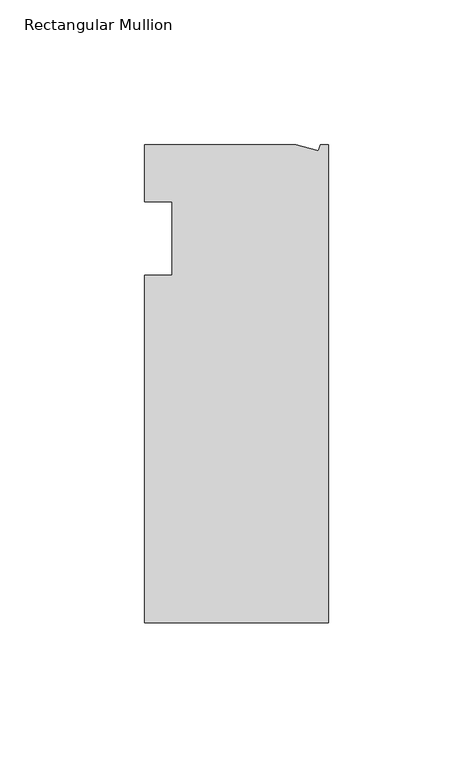
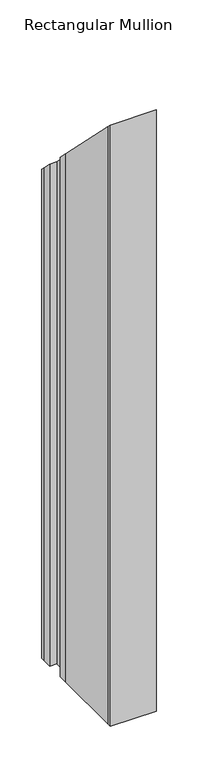
"""IFC4 building model written with IfcOpenShell, lengths in millimetres: member geometry, Rectangular Mullion."""

from ifc_helpers import new_model, si_unit, origin, place, context, project, spatial, faceted_brep, source, transform, mapped, element, save


def rectangular_mullion_1e84f861(model_context):
    return source(origin(), model_context, "Body", "Brep", [
        faceted_brep([(-11.1265412, 19.6597595, -736.6), (-3.3457217, 17.5748952, -736.6), (-2.787084, 19.6597595, -736.6), (0.0, 19.6597595, -736.6), (0.0, -145.4402405, -736.6), (-63.5, -145.4402405, -736.6), (-63.5, -139.0912527, -736.6), (-63.5, -38.3358837, -736.6), (-63.5, -25.4, -736.6), (-53.975, -25.4, -736.6), (-53.975, 0.0, -736.6), (-63.5, 0.0, -736.6), (-63.5, 13.6146679, -736.6), (-63.5, 19.6597595, -736.6), (-63.5, 19.6597595, -19.6597595), (-11.1265412, 19.6597595, -19.6597595), (-63.5, 0.0, 0.0), (-63.5, 13.6146679, -13.6146679), (-53.975, 0.0, 0.0), (-53.975, -25.4, 25.4), (-63.5, -25.4, 25.4), (-63.5, -139.0912527, 139.0912527), (-63.5, -38.3358837, 38.3358837), (0.0, -145.4402405, 145.4402405), (-63.5, -145.4402405, 145.4402405), (0.0, 19.6597595, -19.6597595), (-2.787084, 19.6597595, -19.6597595), (-3.3457217, 17.5748952, -17.5748952)], [[[0, 1, 2, 3, 4, 5, 6, 7, 8, 9, 10, 11, 12, 13]], [[14, 15, 0, 13]], [[16, 17, 12, 11]], [[18, 16, 11, 10]], [[19, 18, 10, 9]], [[20, 19, 9, 8]], [[21, 22, 7, 6]], [[23, 24, 5, 4]], [[25, 23, 4, 3]], [[26, 25, 3, 2]], [[27, 26, 2, 1]], [[15, 27, 1, 0]], [[15, 14, 17, 16, 18, 19, 20, 22, 21, 24, 23, 25, 26, 27]], [[24, 21, 6, 5]], [[17, 14, 13, 12]], [[22, 20, 8, 7]]]),
    ])


if __name__ == "__main__":
    model = new_model("IFC4")
    model_context = context("Model", 3, world=origin())
    ifc_project = project(units=[si_unit("LENGTHUNIT", "METRE", prefix="MILLI")], contexts=[model_context])
    site = spatial("IfcSite", under=ifc_project)
    building = spatial("IfcBuilding", under=site)
    placement = place(None, origin())
    rectangular_mullion_shape = rectangular_mullion_1e84f861(model_context)
    element("IfcMember", 1, ObjectType="Rectangular Mullion", at=placement, inside=building, context=model_context, shape_type="MappedRepresentation", body=[
        mapped(rectangular_mullion_shape, transform((0.0, 0.0, 0.0), x_axis=(1.0, 0.0, 0.0), y_axis=(0.0, 1.0, 0.0), z_axis=(0.0, 0.0, 1.0))),
    ])
    save(model, "model.ifc")
